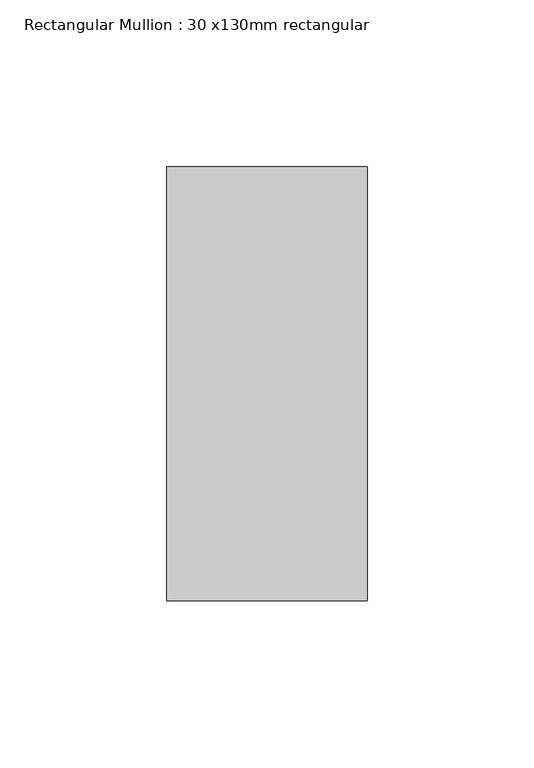
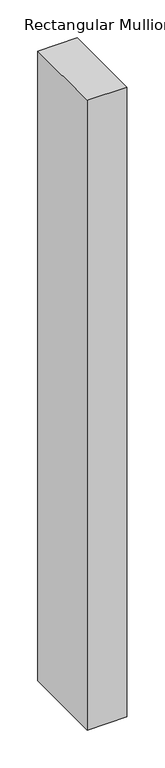
"""IFC4 building model written with IfcOpenShell, lengths in millimetres: member geometry, Rectangular Mullion : 30 x130mm rectangular."""

from ifc_helpers import new_model, si_unit, frame, origin, place, context, project, spatial, polyline, outline, extrude, source, transform, mapped, element, save


def rectangular_mullion_30_x130mm_rectangular_90fd7ad4(model_context):
    return source(origin(), model_context, "Body", "SweptSolid", [
        extrude(outline(polyline([(0.0, 65.0), (0.0, -65.0), (-60.0, -65.0), (-60.0, 65.0), (0.0, 65.0)])), frame((0.0, 0.0, -1012.4718758), z_axis=(0.0, 0.0, 1.0), x_axis=(1.0, 0.0, 0.0)), (0.0, 0.0, 1.0), 1012.4718758),
    ])


if __name__ == "__main__":
    model = new_model("IFC4")
    model_context = context("Model", 3, world=origin())
    ifc_project = project(units=[si_unit("LENGTHUNIT", "METRE", prefix="MILLI")], contexts=[model_context])
    site = spatial("IfcSite", under=ifc_project)
    building = spatial("IfcBuilding", under=site)
    placement = place(None, origin())
    rectangular_mullion_30_x130mm_rectangular_shape = rectangular_mullion_30_x130mm_rectangular_90fd7ad4(model_context)
    element("IfcMember", 1, ObjectType="Rectangular Mullion : 30 x130mm rectangular", at=placement, inside=building, context=model_context, shape_type="MappedRepresentation", body=[
        mapped(rectangular_mullion_30_x130mm_rectangular_shape, transform((0.0, 0.0, 0.0), x_axis=(1.0, 0.0, 0.0), y_axis=(0.0, 1.0, 0.0), z_axis=(0.0, 0.0, 1.0))),
    ])
    save(model, "model.ifc")
